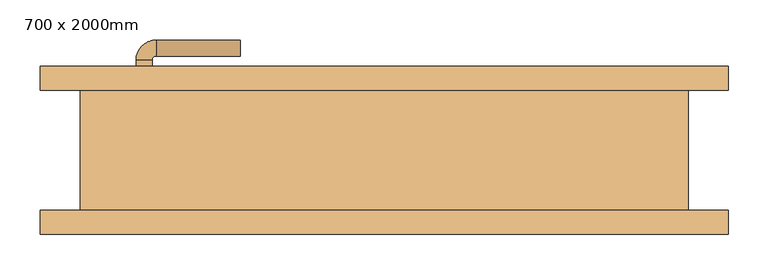
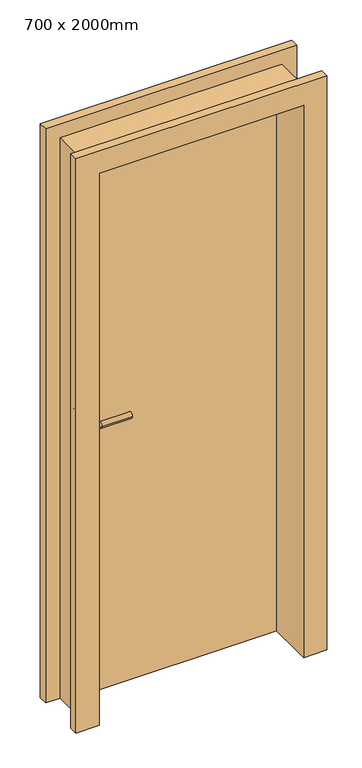
"""IFC4 building model written with IfcOpenShell, lengths in millimetres: door geometry, 700 x 2000mm."""

from ifc_helpers import new_model, si_unit, point, frame, frame_2d, origin, origin_with_axes, place, context, project, spatial, polyline, circle_curve, ellipse_curve, trimmed, segment, composite_curve, outline, extrude, faceted_brep, source, transform, mapped, element, save
from ifc_brep_helpers import plane_surface, cylinder_surface, revolved_surface, advanced_brep


def door_700_x_2000mm_d466b16d(model_context):
    return source(origin(), model_context, "Body", "SolidModel", [
        advanced_brep(
        [(-310.0, 47.0, 1000.0), (-290.0, 47.0, 1000.0), (-290.0, 17.0, 1000.0), (-310.0, 17.0, 1000.0), (-285.0, 12.0, 1000.0), (-285.0, -8.0, 1000.0), (-180.0, -8.0, 1000.0), (-180.0, 12.0, 1000.0)],
        [
            (0, 1, circle_curve(frame((-300.0, 47.0, 1000.0), z_axis=(0.0, 1.0, 0.0), x_axis=(0.9999999999999986, 0.0, 0.0)), 10.0)),
            (1, 0, circle_curve(frame((-300.0, 47.0, 1000.0), z_axis=(0.0, 1.0, 0.0), x_axis=(0.9999999999999986, 0.0, 0.0)), 10.0)),
            (1, 2),
            (2, 3, circle_curve(frame((-300.0, 17.0, 1000.0), z_axis=(0.0, 1.0, 0.0), x_axis=(0.9999999999999986, 0.0, 0.0)), 10.0)),
            (3, 0),
            (3, 2, circle_curve(frame((-300.0, 17.0, 1000.0), z_axis=(0.0, 1.0, 0.0), x_axis=(0.9999999999999986, 0.0, 0.0)), 10.0)),
            (4, 5, circle_curve(frame((-285.0, 2.0, 1000.0), z_axis=(-0.9999999999999986, 0.0, 0.0), x_axis=(0.0, 0.9999999999999986, 0.0)), 10.0)),
            (5, 3, circle_curve(frame((-285.0, 17.0, 1000.0), z_axis=(0.0, 0.0, -1.0), x_axis=(-0.9999999999999986, 0.0, 0.0)), 25.0)),
            (2, 4, circle_curve(frame((-285.0, 17.0, 1000.0), z_axis=(0.0, 0.0, 1.0), x_axis=(-0.9999999999999986, 0.0, 0.0)), 5.0)),
            (5, 4, circle_curve(frame((-285.0, 2.0, 1000.0), z_axis=(-0.9999999999999986, 0.0, 0.0), x_axis=(0.0, 0.9999999999999986, 0.0)), 10.0)),
            (6, 7, circle_curve(frame((-180.0, 2.0, 1000.0), z_axis=(1.0, 0.0, 0.0), x_axis=(0.0, 0.9999999999999986, 0.0)), 10.0)),
            (7, 6, circle_curve(frame((-180.0, 2.0, 1000.0), z_axis=(1.0, 0.0, 0.0), x_axis=(0.0, 0.9999999999999986, 0.0)), 10.0)),
            (4, 7),
            (6, 5),
        ],
        [
            plane_surface(frame((-300.0, 47.0, 1000.0), z_axis=(0.0, 1.0, 0.0), x_axis=(0.0, 0.0, 1.0))),
            cylinder_surface(frame((-300.0, 47.0, 1000.0), z_axis=(0.0, 0.9999999999999986, 0.0), x_axis=(0.9999999999999986, 0.0, 0.0)), 10.0),
            revolved_surface(trimmed(ellipse_curve(frame((-300.0, 17.0, 1000.0), z_axis=(0.0, -0.9999999999999986, 0.0), x_axis=(0.9999999999999986, 0.0, 0.0)), 10.0, 10.0), [point((-310.0, 17.0, 1000.0))], [point((-290.0, 17.0, 1000.0))], True, "CARTESIAN"), (-285.0, 17.0, 1000.0), (0.0, 0.0, -1.0)),
            revolved_surface(trimmed(ellipse_curve(frame((-300.0, 17.0, 1000.0), z_axis=(0.0, -0.9999999999999986, 0.0), x_axis=(0.9999999999999986, 0.0, 0.0)), 10.0, 10.0), [point((-290.0, 17.0, 1000.0))], [point((-310.0, 17.0, 1000.0))], True, "CARTESIAN"), (-285.0, 17.0, 1000.0), (0.0, 0.0, -1.0)),
            plane_surface(frame((-180.0, 2.0, 1000.0), z_axis=(1.0, 0.0, 0.0), x_axis=(0.0, 0.0, 1.0))),
            cylinder_surface(frame((-285.0, 2.0, 1000.0), z_axis=(-0.9999999999999986, 0.0, 0.0), x_axis=(0.0, 0.9999999999999986, 0.0)), 10.0),
        ],
        [
            (0, [[1, 2]]),
            (1, [[3, 4, 5, -2]]),
            (1, [[-5, 6, -3, -1]]),
            (2, [[7, 8, -4, 9]]),
            (3, [[10, -9, -6, -8]]),
            (4, [[11, 12]]),
            (5, [[13, -11, 14, -7]]),
            (5, [[-14, -12, -13, -10]]),
        ],
    ),
        extrude(outline(composite_curve([segment(trimmed(circle_curve(frame_2d((1000.0, -302.5)), 30.0), [point((1000.0, -332.5))], [point((1000.0, -272.5))], False, "CARTESIAN"), True, "CONTINUOUS"), segment(trimmed(circle_curve(frame_2d((1000.0, -302.5)), 30.0), [point((1000.0, -272.5))], [point((1000.0, -332.5))], False, "CARTESIAN"), True, "CONTINUOUS")], self_intersect=False)), frame((0.0, 47.0, 0.0), z_axis=(0.0, 1.0, 0.0), x_axis=(0.0, 0.0, 1.0)), (0.0, 0.0, 1.0), 8.0),
        advanced_brep(
        [(-310.0, 83.0, 1000.0), (-290.0, 83.0, 1000.0), (-310.0, 113.0, 1000.0), (-290.0, 113.0, 1000.0), (-285.0, 118.0, 1000.0), (-285.0, 138.0, 1000.0), (-180.0, 138.0, 1000.0), (-180.0, 118.0, 1000.0)],
        [
            (0, 1, circle_curve(frame((-300.0, 83.0, 1000.0), z_axis=(0.0, -1.0, 0.0), x_axis=(0.9999999999999992, 0.0, 0.0)), 10.0)),
            (1, 0, circle_curve(frame((-300.0, 83.0, 1000.0), z_axis=(0.0, -1.0, 0.0), x_axis=(0.9999999999999992, 0.0, 0.0)), 10.0)),
            (0, 2),
            (2, 3, circle_curve(frame((-300.0, 113.0, 1000.0), z_axis=(0.0, -1.0, 0.0), x_axis=(0.9999999999999992, 0.0, 0.0)), 10.0)),
            (3, 1),
            (3, 2, circle_curve(frame((-300.0, 113.0, 1000.0), z_axis=(0.0, -1.0, 0.0), x_axis=(0.9999999999999992, 0.0, 0.0)), 10.0)),
            (4, 3, circle_curve(frame((-285.0, 113.0, 1000.0), z_axis=(0.0, 0.0, 1.0), x_axis=(-0.9999999999999992, 0.0, 0.0)), 5.0)),
            (2, 5, circle_curve(frame((-285.0, 113.0, 1000.0), z_axis=(0.0, 0.0, -1.0), x_axis=(-0.9999999999999992, 0.0, 0.0)), 25.0)),
            (5, 4, circle_curve(frame((-285.0, 128.0, 1000.0), z_axis=(-0.9999999999999992, 0.0, 0.0), x_axis=(0.0, -0.9999999999999992, 0.0)), 10.0)),
            (4, 5, circle_curve(frame((-285.0, 128.0, 1000.0), z_axis=(-0.9999999999999992, 0.0, 0.0), x_axis=(0.0, -0.9999999999999992, 0.0)), 10.0)),
            (6, 7, circle_curve(frame((-180.0, 128.0, 1000.0), z_axis=(1.0, 0.0, 0.0), x_axis=(0.0, -0.9999999999999992, 0.0)), 10.0)),
            (7, 6, circle_curve(frame((-180.0, 128.0, 1000.0), z_axis=(1.0, 0.0, 0.0), x_axis=(0.0, -0.9999999999999992, 0.0)), 10.0)),
            (5, 6),
            (7, 4),
        ],
        [
            plane_surface(frame((-300.0, 83.0, 1000.0), z_axis=(0.0, -1.0, 0.0), x_axis=(0.0, 0.0, 1.0))),
            cylinder_surface(frame((-300.0, 83.0, 1000.0), z_axis=(0.0, -0.9999999999999992, 0.0), x_axis=(0.9999999999999992, 0.0, 0.0)), 10.0),
            revolved_surface(trimmed(ellipse_curve(frame((-300.0, 113.0, 1000.0), z_axis=(0.0, -0.9999999999999992, 0.0), x_axis=(0.9999999999999992, 0.0, 0.0)), 10.0, 10.0), [point((-310.0, 113.0, 1000.0))], [point((-290.0, 113.0, 1000.0))], True, "CARTESIAN"), (-285.0, 113.0, 1000.0), (0.0, 0.0, -1.0)),
            revolved_surface(trimmed(ellipse_curve(frame((-300.0, 113.0, 1000.0), z_axis=(0.0, -0.9999999999999992, 0.0), x_axis=(0.9999999999999992, 0.0, 0.0)), 10.0, 10.0), [point((-290.0, 113.0, 1000.0))], [point((-310.0, 113.0, 1000.0))], True, "CARTESIAN"), (-285.0, 113.0, 1000.0), (0.0, 0.0, -1.0)),
            plane_surface(frame((-180.0, 128.0, 1000.0), z_axis=(1.0, 0.0, 0.0), x_axis=(0.0, 0.0, 1.0))),
            cylinder_surface(frame((-285.0, 128.0, 1000.0), z_axis=(-0.9999999999999992, 0.0, 0.0), x_axis=(0.0, -0.9999999999999992, 0.0)), 10.0),
        ],
        [
            (0, [[1, 2]]),
            (1, [[-1, 3, 4, 5]]),
            (1, [[-2, -5, 6, -3]]),
            (2, [[7, -4, 8, 9]]),
            (3, [[-8, -6, -7, 10]]),
            (4, [[11, 12]]),
            (5, [[-9, 13, -12, 14]]),
            (5, [[-10, -14, -11, -13]]),
        ],
    ),
        extrude(outline(composite_curve([segment(trimmed(circle_curve(frame_2d((1000.0, -302.5)), 30.0), [point((1000.0, -332.5))], [point((1000.0, -272.5))], False, "CARTESIAN"), True, "CONTINUOUS"), segment(trimmed(circle_curve(frame_2d((1000.0, -302.5)), 30.0), [point((1000.0, -272.5))], [point((1000.0, -332.5))], False, "CARTESIAN"), True, "CONTINUOUS")], self_intersect=False)), frame((0.0, 75.0, 0.0), z_axis=(0.0, 1.0, 0.0), x_axis=(0.0, 0.0, 1.0)), (0.0, 0.0, 1.0), 8.0),
        faceted_brep([(-380.0, 75.0, 0.0), (-430.0, 75.0, 0.0), (-430.0, 105.0, 0.0), (-350.0, 105.0, 0.0), (-350.0, -105.0, 0.0), (-430.0, -105.0, 0.0), (-430.0, -75.0, 0.0), (-380.0, -75.0, 0.0), (-380.0, 75.0, 2030.0), (380.0, 75.0, 2030.0), (380.0, 75.0, 0.0), (430.0, 75.0, 0.0), (430.0, 75.0, 2080.0), (-430.0, 75.0, 2080.0), (-430.0, 105.0, 2080.0), (430.0, 105.0, 2080.0), (430.0, 105.0, 0.0), (350.0, 105.0, 0.0), (350.0, 105.0, 2000.0), (-350.0, 105.0, 2000.0), (-350.0, -105.0, 2000.0), (350.0, -105.0, 2000.0), (350.0, -105.0, 0.0), (430.0, -105.0, 0.0), (430.0, -105.0, 2080.0), (-430.0, -105.0, 2080.0), (-430.0, -75.0, 2080.0), (430.0, -75.0, 2080.0), (430.0, -75.0, 0.0), (380.0, -75.0, 0.0), (380.0, -75.0, 2030.0), (-380.0, -75.0, 2030.0)], [[[0, 1, 2, 3, 4, 5, 6, 7]], [[1, 0, 8, 9, 10, 11, 12, 13]], [[2, 1, 13, 14]], [[3, 2, 14, 15, 16, 17, 18, 19]], [[4, 3, 19, 20]], [[5, 4, 20, 21, 22, 23, 24, 25]], [[6, 5, 25, 26]], [[7, 6, 26, 27, 28, 29, 30, 31]], [[0, 7, 31, 8]], [[9, 30, 29, 10]], [[10, 29, 28, 23, 22, 17, 16, 11]], [[15, 12, 11, 16]], [[21, 18, 17, 22]], [[27, 24, 23, 28]], [[14, 13, 12, 15]], [[20, 19, 18, 21]], [[26, 25, 24, 27]], [[8, 31, 30, 9]]]),
        extrude(outline(polyline([(-350.0, 75.0), (350.0, 75.0), (350.0, 55.0), (-350.0, 55.0), (-350.0, 75.0)])), origin_with_axes(), (0.0, 0.0, 1.0), 2000.0),
    ])


if __name__ == "__main__":
    model = new_model("IFC4")
    model_context = context("Model", 3, world=origin())
    ifc_project = project(units=[si_unit("LENGTHUNIT", "METRE", prefix="MILLI")], contexts=[model_context])
    site = spatial("IfcSite", under=ifc_project)
    building = spatial("IfcBuilding", under=site)
    placement = place(None, origin())
    door_700_x_2000mm_shape = door_700_x_2000mm_d466b16d(model_context)
    element("IfcDoor", 1, ObjectType="700 x 2000mm", at=placement, inside=building, context=model_context, shape_type="MappedRepresentation", body=[
        mapped(door_700_x_2000mm_shape, transform((0.0, 0.0, 0.0), x_axis=(1.0, 0.0, 0.0), y_axis=(0.0, 1.0, 0.0), z_axis=(0.0, 0.0, 1.0))),
    ])
    save(model, "model.ifc")
